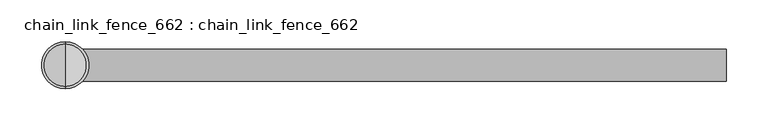
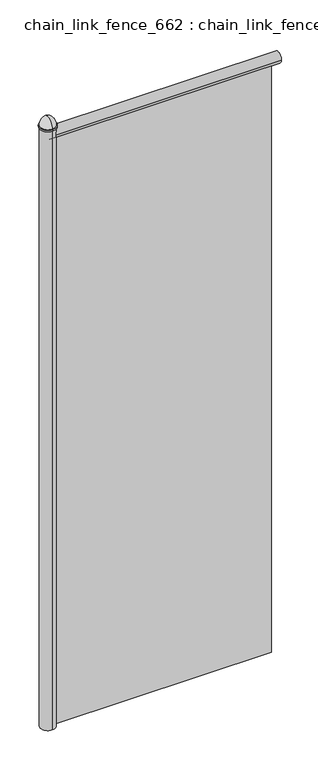
"""IFC4 building model written with IfcOpenShell, lengths in millimetres: proxy geometry, chain_link_fence_662 : chain_link_fence_662."""

from ifc_helpers import new_model, si_unit, point, frame, origin, origin_with_axes, place, context, project, spatial, polyline, circle_curve, ellipse_curve, trimmed, outline, extrude, source, transform, mapped, element, save
from ifc_brep_helpers import plane_surface, cylinder_surface, revolved_surface, advanced_brep


def chain_link_fence_662_chain_link_fence_662_eadc5767(model_context):
    return source(origin(), model_context, "Body", "SolidModel", [
        advanced_brep(
        [(0.0, 0.0, 2178.05), (0.0, -28.2826692, 2178.05), (0.0, 28.2826692, 2178.05), (0.0, 25.4, 2183.5305324), (0.0, -25.4, 2183.5305324), (0.0, 0.0, 2215.4486146), (0.0, 28.2826692, 2183.5305324), (0.0, -28.2826692, 2183.5305324)],
        [
            (0, 1),
            (1, 2, circle_curve(frame((0.0, 0.0, 2178.05), z_axis=(0.0, 0.0, -1.0), x_axis=(0.0, -1.0, 0.0)), 28.2826692)),
            (2, 0),
            (2, 1, circle_curve(frame((0.0, 0.0, 2178.05), z_axis=(0.0, 0.0, -1.0), x_axis=(0.0, -1.0, 0.0)), 28.2826692)),
            (3, 4, circle_curve(frame((0.0, 0.0, 2183.5305324), z_axis=(0.0, 0.0, 1.0), x_axis=(0.0, -1.0, 0.0)), 25.4)),
            (4, 5, circle_curve(frame((0.0, 6.3879428, 2184.2996337), z_axis=(-1.0, 0.0, 0.0), x_axis=(0.0, 1.0, 0.0)), 31.7972455)),
            (5, 3, circle_curve(frame((0.0, -6.3879428, 2184.2996337), z_axis=(-1.0, 0.0, 0.0), x_axis=(0.0, -1.0, 0.0)), 31.7972455)),
            (4, 3, circle_curve(frame((0.0, 0.0, 2183.5305324), z_axis=(0.0, 0.0, 1.0), x_axis=(0.0, -1.0, 0.0)), 25.4)),
            (6, 7, circle_curve(frame((0.0, 0.0, 2183.5305324), z_axis=(0.0, 0.0, 1.0), x_axis=(0.0, -1.0, 0.0)), 28.2826692)),
            (7, 4),
            (3, 6),
            (7, 6, circle_curve(frame((0.0, 0.0, 2183.5305324), z_axis=(0.0, 0.0, 1.0), x_axis=(0.0, -1.0, 0.0)), 28.2826692)),
            (1, 7),
            (6, 2),
        ],
        [
            plane_surface(frame((0.0, 0.0, 2178.05), z_axis=(0.0, 0.0, -1.0), x_axis=(0.0, -1.0, 0.0))),
            revolved_surface(trimmed(ellipse_curve(frame((0.0, 6.3879428, 2184.2996337), z_axis=(1.0, 0.0, 0.0), x_axis=(0.0, 1.0, 0.0)), 31.7972455, 31.7972455), [point((0.0, 0.0, 2215.4486146))], [point((0.0, -25.4, 2183.5305324))], True, "CARTESIAN"), (0.0, 0.0, 2285.5203947), (0.0, 0.0, -1.0)),
            plane_surface(frame((0.0, 0.0, 2183.5305324), z_axis=(0.0, 0.0, 1.0), x_axis=(0.0, -1.0, 0.0))),
            cylinder_surface(frame((0.0, 0.0, 2285.5203947), z_axis=(0.0, 0.0, -1.0), x_axis=(0.0, -1.0, 0.0)), 28.2826692),
        ],
        [
            (0, [[1, 2, 3]]),
            (0, [[-3, 4, -1]]),
            (1, [[5, 6, 7]]),
            (1, [[8, -7, -6]]),
            (2, [[9, 10, -5, 11]]),
            (2, [[12, -11, -8, -10]]),
            (3, [[-2, 13, -9, 14]]),
            (3, [[-4, -14, -12, -13]]),
        ],
    ),
        advanced_brep(
        [(0.0, 25.4, 0.0), (0.0, -25.4, 0.0), (0.0, -25.4, 2178.05), (0.0, 25.4, 2178.05), (0.0, 0.0, 0.0), (0.0, 0.0, 2178.05)],
        [
            (0, 1, circle_curve(frame((0.0, 0.0, 0.0), z_axis=(0.0, 0.0, 1.0), x_axis=(0.0, -1.0, 0.0)), 25.4)),
            (1, 2),
            (2, 3, circle_curve(frame((0.0, 0.0, 2178.05), z_axis=(0.0, 0.0, -1.0), x_axis=(0.0, -1.0, 0.0)), 25.4)),
            (3, 0),
            (1, 0, circle_curve(frame((0.0, 0.0, 0.0), z_axis=(0.0, 0.0, 1.0), x_axis=(0.0, -1.0, 0.0)), 25.4)),
            (3, 2, circle_curve(frame((0.0, 0.0, 2178.05), z_axis=(0.0, 0.0, -1.0), x_axis=(0.0, -1.0, 0.0)), 25.4)),
            (4, 1),
            (0, 4),
            (2, 5),
            (5, 3),
        ],
        [
            cylinder_surface(frame((0.0, 0.0, 2375.7836045), z_axis=(0.0, 0.0, -1.0), x_axis=(0.0, -1.0, 0.0)), 25.4),
            plane_surface(frame((0.0, 0.0, 0.0), z_axis=(0.0, 0.0, -1.0), x_axis=(0.0, -1.0, 0.0))),
            plane_surface(frame((0.0, 0.0, 2178.05), z_axis=(0.0, 0.0, 1.0), x_axis=(0.0, -1.0, 0.0))),
        ],
        [
            (0, [[1, 2, 3, 4]]),
            (0, [[5, -4, 6, -2]]),
            (1, [[7, -1, 8]]),
            (1, [[-8, -5, -7]]),
            (2, [[-3, 9, 10]]),
            (2, [[-6, -10, -9]]),
        ],
    ),
        advanced_brep(
        [(793.40323, -19.05, 2152.65), (793.40323, 19.05, 2152.65), (793.40323, 0.0, 2152.65), (0.0, -19.05, 2152.65), (0.0, 19.05, 2152.65), (0.0, 0.0, 2152.65)],
        [
            (0, 1, circle_curve(frame((793.40323, 0.0, 2152.65), z_axis=(1.0, 0.0, 0.0), x_axis=(0.0, 1.0, 0.0)), 19.05)),
            (1, 2),
            (2, 0),
            (1, 0, circle_curve(frame((793.40323, 0.0, 2152.65), z_axis=(1.0, 0.0, 0.0), x_axis=(0.0, 1.0, 0.0)), 19.05)),
            (3, 4, circle_curve(frame((0.0, 0.0, 2152.65), z_axis=(1.0, 0.0, 0.0), x_axis=(0.0, 1.0, 0.0)), 19.05)),
            (4, 1),
            (0, 3),
            (4, 3, circle_curve(frame((0.0, 0.0, 2152.65), z_axis=(1.0, 0.0, 0.0), x_axis=(0.0, 1.0, 0.0)), 19.05)),
            (5, 4),
            (3, 5),
        ],
        [
            plane_surface(frame((793.40323, 0.0, 2152.65), z_axis=(1.0, 0.0, 0.0), x_axis=(0.0, 1.0, 0.0))),
            cylinder_surface(frame((-263.9427188, 0.0, 2152.65), z_axis=(-1.0, 0.0, 0.0), x_axis=(0.0, 1.0, 0.0)), 19.05),
            plane_surface(frame((0.0, 0.0, 2152.65), z_axis=(-1.0, 0.0, 0.0), x_axis=(0.0, 1.0, 0.0))),
        ],
        [
            (0, [[1, 2, 3]]),
            (0, [[4, -3, -2]]),
            (1, [[5, 6, -1, 7]]),
            (1, [[8, -7, -4, -6]]),
            (2, [[9, -5, 10]]),
            (2, [[-10, -8, -9]]),
        ],
    ),
        extrude(outline(polyline([(768.00323, -3.175), (25.4, -3.175), (25.4, 3.175), (768.00323, 3.175), (768.00323, -3.175)])), origin_with_axes(), (0.0, 0.0, 1.0), 2133.6),
    ])


if __name__ == "__main__":
    model = new_model("IFC4")
    model_context = context("Model", 3, world=origin())
    ifc_project = project(units=[si_unit("LENGTHUNIT", "METRE", prefix="MILLI")], contexts=[model_context])
    site = spatial("IfcSite", under=ifc_project)
    building = spatial("IfcBuilding", under=site)
    placement = place(None, origin())
    chain_link_fence_662_chain_link_fence_662_shape = chain_link_fence_662_chain_link_fence_662_eadc5767(model_context)
    element("IfcBuildingElementProxy", 1, Name="chain_link_fence_662 : chain_link_fence_662", ObjectType="chain_link_fence_662 : chain_link_fence_662", at=placement, inside=building, context=model_context, shape_type="MappedRepresentation", body=[
        mapped(chain_link_fence_662_chain_link_fence_662_shape, transform((0.0, 0.0, 0.0), x_axis=(1.0, 0.0, 0.0), y_axis=(0.0, 1.0, 0.0), z_axis=(0.0, 0.0, 1.0))),
    ])
    save(model, "model.ifc")
